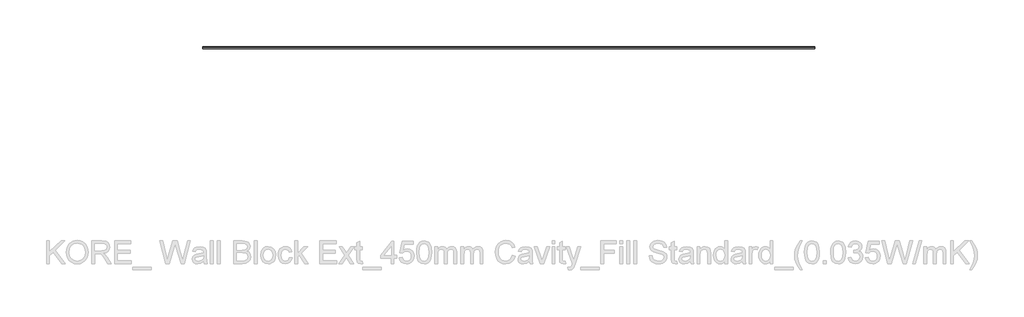
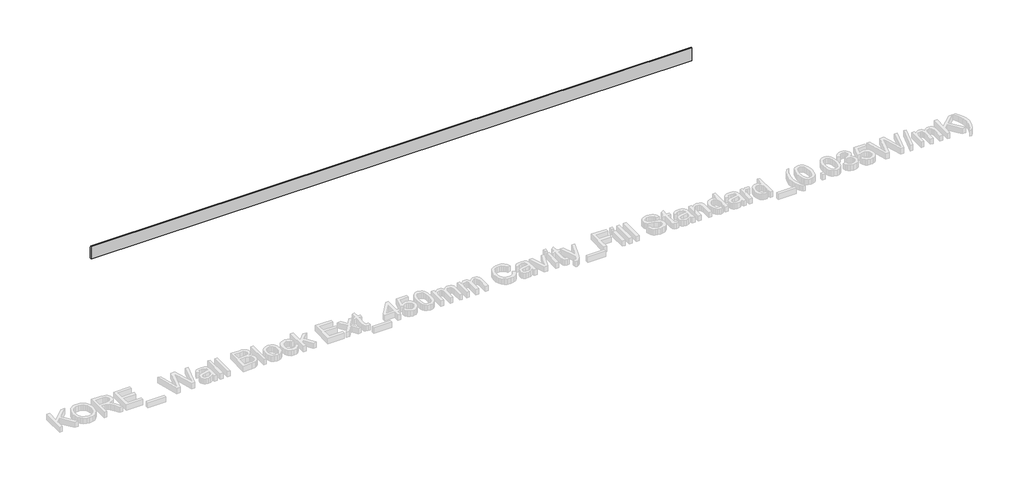
# One storey, part 15 of 60: 1 proxy.
"""IFC4 building model written with IfcOpenShell, lengths in millimetres."""

from ifc_helpers import new_model, si_unit, point, frame, frame_2d, origin, place, context, project, spatial, polyline, circle_curve, trimmed, segment, composite_curve, outline, extrude, element, save

model = new_model("IFC4")

# Units and contexts
model_context = context("Model", 3, world=origin())
ifc_project = project(units=[si_unit("LENGTHUNIT", "METRE", prefix="MILLI")], contexts=[model_context])

# Site, building, storey
site = spatial("IfcSite", under=ifc_project)
building = spatial("IfcBuilding", under=site)
storey = spatial("IfcBuildingStorey", under=building, Elevation=0.0)

# Proxy
placement = place(None, origin())
element("IfcBuildingElementProxy", 1, Name="Wall Sweeps", at=placement, inside=storey, context=model_context, shape_type="SweptSolid", body=[
    extrude(outline(composite_curve([segment(polyline([(6240.4236863, 134.5), (6249.4236863, 134.5), (6249.4236863, 125.2473165)]), True, "CONTINUOUS"), segment(trimmed(circle_curve(frame_2d((6239.8063342, 113.7361681)), 15.0), [point((6249.4236863, 125.2473165))], [point((6254.8063342, 113.7361681))], False, "CARTESIAN"), True, "CONTINUOUS"), segment(polyline([(6254.8063342, 113.7361681), (6254.8063342, 94.9145021), (6258.4236863, 86.1071309), (6258.4236863, 14.5), (6240.4236863, 14.5), (6240.4236863, 134.5)]), True, "CONTINUOUS")], self_intersect=False)), frame((17930.0129216, 0.0, 0.0), z_axis=(1.0, 0.0, 0.0), x_axis=(0.0, 1.0, 0.0)), (0.0, 0.0, 1.0), 5310.0),
])

save(model, "model.ifc")
